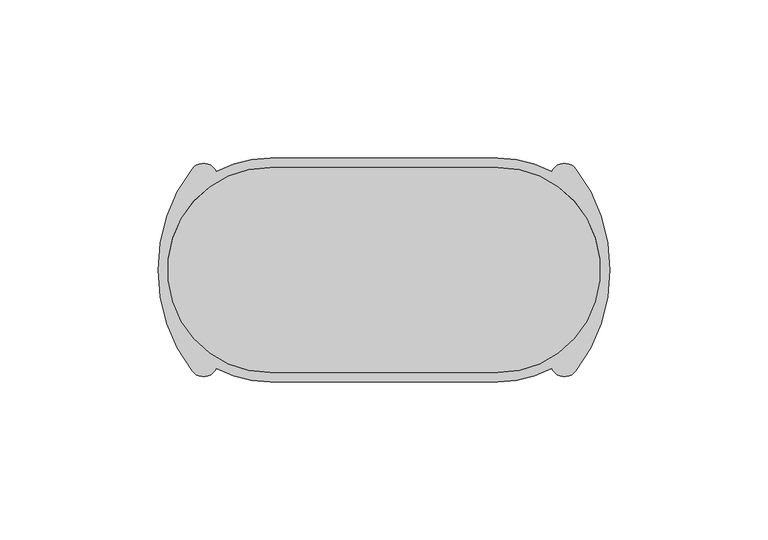
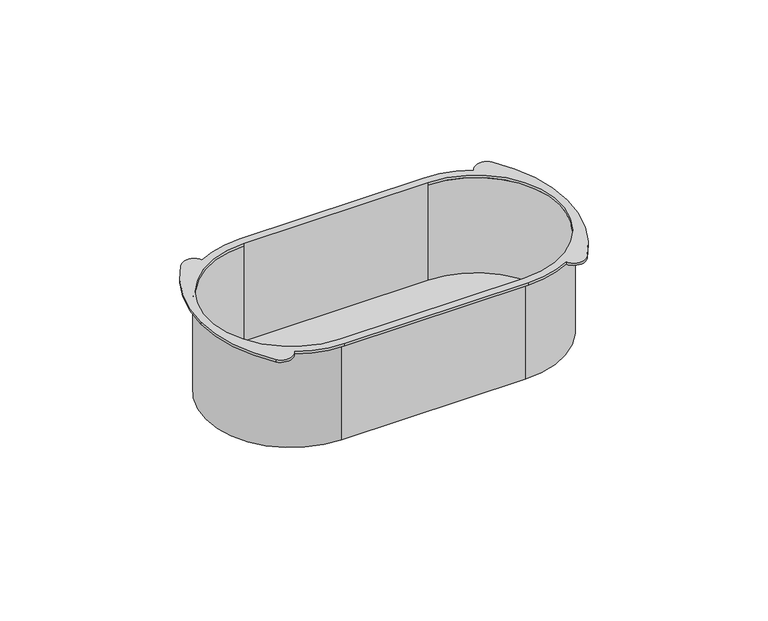
"""IFC4 building model written with IfcOpenShell, lengths in millimetres: proxy geometry."""

from ifc_helpers import new_model, si_unit, point, frame, frame_2d, origin, place, context, project, spatial, polyline, circle_curve, trimmed, segment, composite_curve, outline, extrude, source, transform, mapped, element, save
from ifc_brep_helpers import plane_surface, cylinder_surface, revolved_surface, advanced_brep


def electrical_fixtures_1cc17c8f(model_context):
    return source(origin(), model_context, "Body", "SolidModel", [
        advanced_brep(
        [(36.0, -33.5, -40.0), (-36.0, -33.5, -40.0), (-36.0, 33.5, -40.0), (36.0, 33.5, -40.0), (36.0, -32.5, -40.0), (36.0, 32.5, -40.0), (-36.0, 32.5, -40.0), (-36.0, -32.5, -40.0), (36.0, -32.5, 0.0), (36.0, 32.5, 0.0), (36.0, 33.5, 0.0), (36.0, -33.5, 0.0), (36.0, 35.5, 1.0), (-36.0, 35.5, 1.0), (-53.007708, 31.1606782, 1.0), (-60.7231662, 31.9859514, 1.0), (-71.5, 0.0, 1.0), (-60.7231662, -31.9859514, 1.0), (-53.007708, -31.1606782, 1.0), (-36.0, -35.5, 1.0), (36.0, -35.5, 1.0), (53.007708, -31.1606782, 1.0), (60.7231662, -31.9859514, 1.0), (71.5, 0.0, 1.0), (60.7231662, 31.9859514, 1.0), (53.007708, 31.1606782, 1.0), (36.0, 32.5, 1.0), (36.0, -32.5, 1.0), (-36.0, -32.5, 1.0), (-36.0, 32.5, 1.0), (36.0, 35.5, 0.0), (53.007708, 31.1606782, 0.0), (60.7231662, 31.9859514, 0.0), (71.5, 0.0, 0.0), (60.7231662, -31.9859514, 0.0), (53.007708, -31.1606782, 0.0), (36.0, -35.5, 0.0), (-36.0, -35.5, 0.0), (-53.007708, -31.1606782, 0.0), (-60.7231662, -31.9859514, 0.0), (-71.5, 0.0, 0.0), (-60.7231662, 31.9859514, 0.0), (-53.007708, 31.1606782, 0.0), (-36.0, 35.5, 0.0), (-36.0, 33.5, 0.0), (-36.0, -33.5, 0.0), (-36.0, -32.5, 0.0), (-36.0, 32.5, 0.0)],
        [
            (0, 1),
            (1, 2, circle_curve(frame((-36.0, 0.0, -40.0), z_axis=(0.0, 0.0, -1.0), x_axis=(0.0, -1.0, 0.0)), 33.5)),
            (2, 3),
            (3, 0, circle_curve(frame((36.0, 0.0, -40.0), z_axis=(0.0, 0.0, -1.0), x_axis=(0.0, -1.0, 0.0)), 33.5)),
            (4, 5, circle_curve(frame((36.0, 0.0, -40.0), z_axis=(0.0, 0.0, 1.0), x_axis=(0.0, -1.0, 0.0)), 32.5)),
            (5, 6),
            (6, 7, circle_curve(frame((-36.0, 0.0, -40.0), z_axis=(0.0, 0.0, 1.0), x_axis=(0.0, -1.0, 0.0)), 32.5)),
            (7, 4),
            (4, 8),
            (8, 9, circle_curve(frame((36.0, 0.0, 0.0), z_axis=(0.0, 0.0, 1.0), x_axis=(0.0, -1.0, 0.0)), 32.5)),
            (9, 5),
            (3, 10),
            (10, 11, circle_curve(frame((36.0, 0.0, 0.0), z_axis=(0.0, 0.0, -1.0), x_axis=(0.0, -1.0, 0.0)), 33.5)),
            (11, 0),
            (12, 13),
            (13, 14, circle_curve(frame((-36.0, 0.0, 1.0), z_axis=(0.0, 0.0, 1.0), x_axis=(0.0, -1.0, 0.0)), 35.5)),
            (14, 15, circle_curve(frame((-57.114694, 29.2430182, 1.0), z_axis=(0.0, 0.0, 1.0), x_axis=(0.0, -1.0, 0.0)), 4.5326321)),
            (15, 16, circle_curve(frame((-18.643973, 0.0, 1.0), z_axis=(0.0, 0.0, 1.0), x_axis=(0.0, -1.0, 0.0)), 52.856027)),
            (16, 17, circle_curve(frame((-18.643973, 0.0, 1.0), z_axis=(0.0, 0.0, 1.0), x_axis=(0.0, 1.0, 0.0)), 52.856027)),
            (17, 18, circle_curve(frame((-57.114694, -29.2430182, 1.0), z_axis=(0.0, 0.0, 1.0), x_axis=(0.0, 1.0, 0.0)), 4.5326321)),
            (18, 19, circle_curve(frame((-36.0, 0.0, 1.0), z_axis=(0.0, 0.0, 1.0), x_axis=(0.0, -1.0, 0.0)), 35.5)),
            (19, 20),
            (20, 21, circle_curve(frame((36.0, 0.0, 1.0), z_axis=(0.0, 0.0, 1.0), x_axis=(0.0, -1.0, 0.0)), 35.5)),
            (21, 22, circle_curve(frame((57.114694, -29.2430182, 1.0), z_axis=(0.0, 0.0, 1.0), x_axis=(0.0, 1.0, 0.0)), 4.5326321)),
            (22, 23, circle_curve(frame((18.643973, 0.0, 1.0), z_axis=(0.0, 0.0, 1.0), x_axis=(0.0, 1.0, 0.0)), 52.856027)),
            (23, 24, circle_curve(frame((18.643973, 0.0, 1.0), z_axis=(0.0, 0.0, 1.0), x_axis=(0.0, -1.0, 0.0)), 52.856027)),
            (24, 25, circle_curve(frame((57.114694, 29.2430182, 1.0), z_axis=(0.0, 0.0, 1.0), x_axis=(0.0, -1.0, 0.0)), 4.5326321)),
            (25, 12, circle_curve(frame((36.0, 0.0, 1.0), z_axis=(0.0, 0.0, 1.0), x_axis=(0.0, -1.0, 0.0)), 35.5)),
            (26, 27, circle_curve(frame((36.0, 0.0, 1.0), z_axis=(0.0, 0.0, -1.0), x_axis=(0.0, -1.0, 0.0)), 32.5)),
            (27, 28),
            (28, 29, circle_curve(frame((-36.0, 0.0, 1.0), z_axis=(0.0, 0.0, -1.0), x_axis=(0.0, -1.0, 0.0)), 32.5)),
            (29, 26),
            (30, 31, circle_curve(frame((36.0, 0.0, 0.0), z_axis=(0.0, 0.0, -1.0), x_axis=(0.0, -1.0, 0.0)), 35.5)),
            (31, 32, circle_curve(frame((57.114694, 29.2430182, 0.0), z_axis=(0.0, 0.0, -1.0), x_axis=(0.0, -1.0, 0.0)), 4.5326321)),
            (32, 33, circle_curve(frame((18.643973, 0.0, 0.0), z_axis=(0.0, 0.0, -1.0), x_axis=(0.0, -1.0, 0.0)), 52.856027)),
            (33, 34, circle_curve(frame((18.643973, 0.0, 0.0), z_axis=(0.0, 0.0, -1.0), x_axis=(0.0, 1.0, 0.0)), 52.856027)),
            (34, 35, circle_curve(frame((57.114694, -29.2430182, 0.0), z_axis=(0.0, 0.0, -1.0), x_axis=(0.0, 1.0, 0.0)), 4.5326321)),
            (35, 36, circle_curve(frame((36.0, 0.0, 0.0), z_axis=(0.0, 0.0, -1.0), x_axis=(0.0, -1.0, 0.0)), 35.5)),
            (36, 37),
            (37, 38, circle_curve(frame((-36.0, 0.0, 0.0), z_axis=(0.0, 0.0, -1.0), x_axis=(0.0, -1.0, 0.0)), 35.5)),
            (38, 39, circle_curve(frame((-57.114694, -29.2430182, 0.0), z_axis=(0.0, 0.0, -1.0), x_axis=(0.0, 1.0, 0.0)), 4.5326321)),
            (39, 40, circle_curve(frame((-18.643973, 0.0, 0.0), z_axis=(0.0, 0.0, -1.0), x_axis=(0.0, 1.0, 0.0)), 52.856027)),
            (40, 41, circle_curve(frame((-18.643973, 0.0, 0.0), z_axis=(0.0, 0.0, -1.0), x_axis=(0.0, -1.0, 0.0)), 52.856027)),
            (41, 42, circle_curve(frame((-57.114694, 29.2430182, 0.0), z_axis=(0.0, 0.0, -1.0), x_axis=(0.0, -1.0, 0.0)), 4.5326321)),
            (42, 43, circle_curve(frame((-36.0, 0.0, 0.0), z_axis=(0.0, 0.0, -1.0), x_axis=(0.0, -1.0, 0.0)), 35.5)),
            (43, 30),
            (10, 44),
            (44, 45, circle_curve(frame((-36.0, 0.0, 0.0), z_axis=(0.0, 0.0, 1.0), x_axis=(0.0, -1.0, 0.0)), 33.5)),
            (45, 11),
            (20, 36),
            (35, 21),
            (25, 31),
            (30, 12),
            (34, 22),
            (33, 23),
            (32, 24),
            (43, 13),
            (42, 14),
            (41, 15),
            (40, 16),
            (39, 17),
            (38, 18),
            (37, 19),
            (26, 9),
            (8, 27),
            (28, 46),
            (46, 47, circle_curve(frame((-36.0, 0.0, 0.0), z_axis=(0.0, 0.0, -1.0), x_axis=(0.0, -1.0, 0.0)), 32.5)),
            (47, 29),
            (7, 46),
            (6, 47),
            (2, 44),
            (1, 45),
        ],
        [
            plane_surface(frame((-71.5, -32.5, -40.0), z_axis=(0.0, 0.0, -1.0), x_axis=(1.0, 0.0, 0.0))),
            revolved_surface(polyline([(36.0, -32.5, -40.0), (36.0, -32.5, 0.0)]), (36.0, 0.0, -40.0), (0.0, 0.0, -1.0)),
            cylinder_surface(frame((36.0, 0.0, 0.0), z_axis=(0.0, 0.0, 1.0), x_axis=(0.0, -1.0, 0.0)), 33.5),
            plane_surface(frame((-71.5, 35.5, 1.0), z_axis=(0.0, 0.0, 1.0), x_axis=(-1.0, 0.0, 0.0))),
            plane_surface(frame((-71.5, 35.5, 0.0), z_axis=(0.0, 0.0, -1.0), x_axis=(1.0, 0.0, 0.0))),
            cylinder_surface(frame((36.0, 0.0, 0.0), z_axis=(0.0, 0.0, 1.0), x_axis=(0.0, -1.0, 0.0)), 35.5),
            cylinder_surface(frame((57.114694, -29.2430182, 0.0), z_axis=(0.0, 0.0, 1.0), x_axis=(0.0, 1.0, 0.0)), 4.5326321),
            cylinder_surface(frame((18.643973, 0.0, 0.0), z_axis=(0.0, 0.0, 1.0), x_axis=(0.0, 1.0, 0.0)), 52.856027),
            cylinder_surface(frame((18.643973, 0.0, 0.0), z_axis=(0.0, 0.0, 1.0), x_axis=(0.0, -1.0, 0.0)), 52.856027),
            cylinder_surface(frame((57.114694, 29.2430182, 0.0), z_axis=(0.0, 0.0, 1.0), x_axis=(0.0, -1.0, 0.0)), 4.5326321),
            plane_surface(frame((36.0, 35.5, 1.0), z_axis=(0.0, 1.0, 0.0), x_axis=(0.0, 0.0, -1.0))),
            cylinder_surface(frame((-36.0, 0.0, 0.0), z_axis=(0.0, 0.0, 1.0), x_axis=(0.0, -1.0, 0.0)), 35.5),
            cylinder_surface(frame((-57.114694, 29.2430182, 0.0), z_axis=(0.0, 0.0, 1.0), x_axis=(0.0, -1.0, 0.0)), 4.5326321),
            cylinder_surface(frame((-18.643973, 0.0, 0.0), z_axis=(0.0, 0.0, 1.0), x_axis=(0.0, -1.0, 0.0)), 52.856027),
            cylinder_surface(frame((-18.643973, 0.0, 0.0), z_axis=(0.0, 0.0, 1.0), x_axis=(0.0, 1.0, 0.0)), 52.856027),
            cylinder_surface(frame((-57.114694, -29.2430182, 0.0), z_axis=(0.0, 0.0, 1.0), x_axis=(0.0, 1.0, 0.0)), 4.5326321),
            plane_surface(frame((-36.0, -35.5, 1.0), z_axis=(0.0, -1.0, 0.0), x_axis=(0.0, 0.0, -1.0))),
            revolved_surface(polyline([(36.0, -32.5, 0.0), (36.0, -32.5, 1.0)]), (36.0, 0.0, 0.0), (0.0, 0.0, -1.0)),
            revolved_surface(polyline([(-36.0, -32.5, 0.0), (-36.0, -32.5, 1.0)]), (-36.0, 0.0, 0.0), (0.0, 0.0, -1.0)),
            plane_surface(frame((36.0, -32.5, 0.0), z_axis=(0.0, 1.0, 0.0), x_axis=(0.0, 0.0, -1.0))),
            revolved_surface(polyline([(-36.0, -32.5, -40.0), (-36.0, -32.5, 0.0)]), (-36.0, 0.0, -40.0), (0.0, 0.0, -1.0)),
            plane_surface(frame((-36.0, 32.5, 0.0), z_axis=(0.0, -1.0, 0.0), x_axis=(0.0, 0.0, -1.0))),
            plane_surface(frame((36.0, 33.5, 0.0), z_axis=(0.0, 1.0, 0.0), x_axis=(0.0, 0.0, -1.0))),
            cylinder_surface(frame((-36.0, 0.0, 0.0), z_axis=(0.0, 0.0, 1.0), x_axis=(0.0, -1.0, 0.0)), 33.5),
            plane_surface(frame((-36.0, -33.5, 0.0), z_axis=(0.0, -1.0, 0.0), x_axis=(0.0, 0.0, -1.0))),
        ],
        [
            (0, [[1, 2, 3, 4], [5, 6, 7, 8]]),
            (1, [[-5, 9, 10, 11]]),
            (2, [[-4, 12, 13, 14]]),
            (3, [[15, 16, 17, 18, 19, 20, 21, 22, 23, 24, 25, 26, 27, 28], [29, 30, 31, 32]]),
            (4, [[33, 34, 35, 36, 37, 38, 39, 40, 41, 42, 43, 44, 45, 46], [-13, 47, 48, 49]]),
            (5, [[-23, 50, -38, 51]]),
            (5, [[-28, 52, -33, 53]]),
            (6, [[-24, -51, -37, 54]]),
            (7, [[-25, -54, -36, 55]]),
            (8, [[-26, -55, -35, 56]]),
            (9, [[-27, -56, -34, -52]]),
            (10, [[-15, -53, -46, 57]]),
            (11, [[-16, -57, -45, 58]]),
            (12, [[-17, -58, -44, 59]]),
            (13, [[-18, -59, -43, 60]]),
            (14, [[-19, -60, -42, 61]]),
            (15, [[-20, -61, -41, 62]]),
            (11, [[-21, -62, -40, 63]]),
            (16, [[-22, -63, -39, -50]]),
            (17, [[-29, 64, -10, 65]]),
            (18, [[-31, 66, 67, 68]]),
            (19, [[-8, 69, -66, -30, -65, -9]]),
            (20, [[-7, 70, -67, -69]]),
            (21, [[-6, -11, -64, -32, -68, -70]]),
            (22, [[-3, 71, -47, -12]]),
            (23, [[-2, 72, -48, -71]]),
            (24, [[-1, -14, -49, -72]]),
        ],
    ),
        extrude(outline(composite_curve([segment(polyline([(-36.0, 32.5), (36.0, 32.5)]), True, "CONTINUOUS"), segment(trimmed(circle_curve(frame_2d((36.0, 0.0)), 32.5), [point((36.0, 32.5))], [point((36.0, -32.5))], False, "CARTESIAN"), True, "CONTINUOUS"), segment(polyline([(36.0, -32.5), (-36.0, -32.5)]), True, "CONTINUOUS"), segment(trimmed(circle_curve(frame_2d((-36.0, 0.0)), 32.5), [point((-36.0, -32.5))], [point((-36.0, 32.5))], False, "CARTESIAN"), True, "CONTINUOUS")], self_intersect=False)), frame((0.0, 0.0, -40.0), z_axis=(0.0, 0.0, 1.0), x_axis=(1.0, 0.0, 0.0)), (0.0, 0.0, 1.0), 1.0),
    ])


if __name__ == "__main__":
    model = new_model("IFC4")
    model_context = context("Model", 3, world=origin())
    ifc_project = project(units=[si_unit("LENGTHUNIT", "METRE", prefix="MILLI")], contexts=[model_context])
    site = spatial("IfcSite", under=ifc_project)
    building = spatial("IfcBuilding", under=site)
    placement = place(None, origin())
    electrical_fixtures_shape = electrical_fixtures_1cc17c8f(model_context)
    element("IfcBuildingElementProxy", 1, Name="Electrical Fixtures", at=placement, inside=building, context=model_context, shape_type="MappedRepresentation", body=[
        mapped(electrical_fixtures_shape, transform((0.0, 0.0, 0.0), x_axis=(1.0, 0.0, 0.0), y_axis=(0.0, 1.0, 0.0), z_axis=(0.0, 0.0, 1.0))),
    ])
    save(model, "model.ifc")
